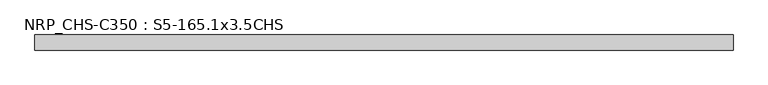
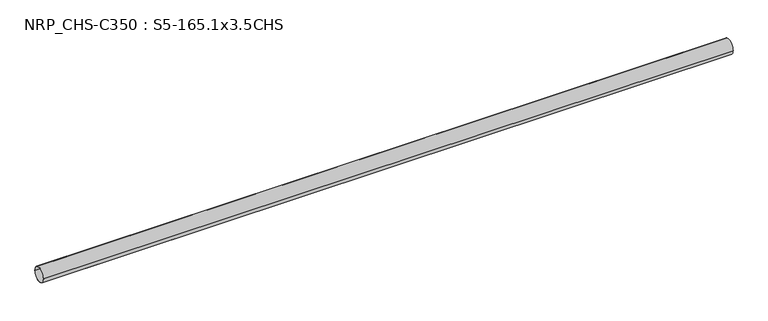
"""IFC4 building model written with IfcOpenShell, lengths in millimetres: beam geometry, NRP_CHS-C350 : S5-165.1x3.5CHS."""

from ifc_helpers import new_model, si_unit, point, frame, origin, origin_2d, place, context, project, spatial, circle_curve, trimmed, segment, composite_curve, outline, extrude, source, transform, mapped, element, save


def nrp_chs_c350_s5_165_1x3_5chs_27d39610(model_context):
    return source(origin(), model_context, "Body", "SweptSolid", [
        extrude(outline(composite_curve([segment(trimmed(circle_curve(origin_2d(), 82.55), [point((82.55, 0.0))], [point((-82.55, 0.0))], False, "CARTESIAN"), True, "CONTINUOUS"), segment(trimmed(circle_curve(origin_2d(), 82.55), [point((-82.55, 0.0))], [point((82.55, 0.0))], False, "CARTESIAN"), True, "CONTINUOUS")], self_intersect=False), holes=[composite_curve([segment(trimmed(circle_curve(origin_2d(), 79.05), [point((-79.05, 0.0))], [point((79.05, 0.0))], True, "CARTESIAN"), True, "CONTINUOUS"), segment(trimmed(circle_curve(origin_2d(), 79.05), [point((79.05, 0.0))], [point((-79.05, 0.0))], True, "CARTESIAN"), True, "CONTINUOUS")], self_intersect=False)]), frame((-3786.15, 0.0, 0.0), z_axis=(1.0, 0.0, 0.0), x_axis=(0.0, 1.0, 0.0)), (0.0, 0.0, 1.0), 7597.5),
    ])


if __name__ == "__main__":
    model = new_model("IFC4")
    model_context = context("Model", 3, world=origin())
    ifc_project = project(units=[si_unit("LENGTHUNIT", "METRE", prefix="MILLI")], contexts=[model_context])
    site = spatial("IfcSite", under=ifc_project)
    building = spatial("IfcBuilding", under=site)
    placement = place(None, origin())
    nrp_chs_c350_s5_165_1x3_5chs_shape = nrp_chs_c350_s5_165_1x3_5chs_27d39610(model_context)
    element("IfcBeam", 1, ObjectType="NRP_CHS-C350 : S5-165.1x3.5CHS", at=placement, inside=building, context=model_context, shape_type="MappedRepresentation", body=[
        mapped(nrp_chs_c350_s5_165_1x3_5chs_shape, transform((0.0, 0.0, 0.0), x_axis=(1.0, 0.0, 0.0), y_axis=(0.0, 1.0, 0.0), z_axis=(0.0, 0.0, 1.0))),
    ])
    save(model, "model.ifc")
